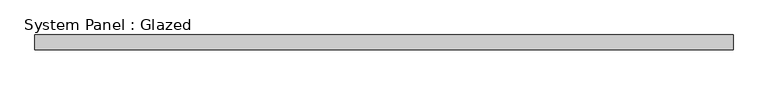
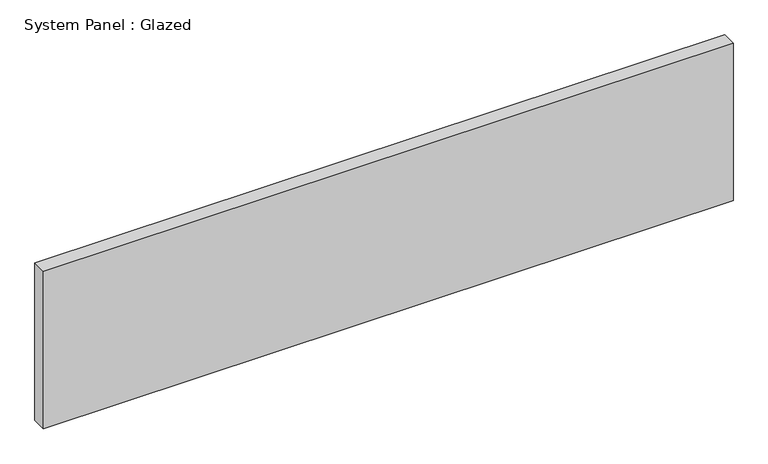
"""IFC4 building model written with IfcOpenShell, lengths in millimetres: plate geometry, System Panel : Glazed."""

import ifcopenshell
import ifcopenshell.guid

model = None  # the IFC model being written
_history = None  # IfcOwnerHistory: only IFC2X3 demands one
_inside = {}  # id of a spatial element -> (the spatial element, [elements in it])
_under = {}  # id of a project, library or spatial element -> (it, [spatial elements below it])
_declared = {}  # id of a project -> (the project, [libraries it declares])
_typed = {}  # id of a type object -> (the type object, [elements of that type])
_made_of = {}  # id of a material, layer set ... -> (it, [elements and type objects made of it])


def new_model(schema):
    """Start an empty IFC model of exactly this schema.

    Asked for "IFC4X3", IfcOpenShell would pick the latest addendum, in which some entities
    have other attributes; the version numbers below select the first issue.
    IFC2X3 requires an IfcOwnerHistory on every rooted entity: one is made here for all.
    """
    global model, _history
    if schema == "IFC4X3":
        model = ifcopenshell.file(schema_version=(4, 3, 0, 0))
    else:
        model = ifcopenshell.file(schema=schema)
    _inside.clear()
    _under.clear()
    _declared.clear()
    _typed.clear()
    _made_of.clear()
    _history = None
    if model.schema == "IFC2X3":
        org = make("IfcOrganization", Name="unknown")
        user = make(
            "IfcPersonAndOrganization",
            ThePerson=make("IfcPerson", FamilyName="unknown"),
            TheOrganization=org,
        )
        app = make(
            "IfcApplication",
            ApplicationDeveloper=org,
            Version="unknown",
            ApplicationFullName="unknown",
            ApplicationIdentifier="unknown",
        )
        _history = make(
            "IfcOwnerHistory",
            OwningUser=user,
            OwningApplication=app,
            ChangeAction="ADDED",
            CreationDate=0,
        )
    return model


def make(cls, **values):
    """One entity of the class cls with the attributes given. An attribute that is None is left unset."""
    return model.create_entity(
        cls, **{name: value for name, value in values.items() if value is not None}
    )


def rooted(cls, **values):
    """An entity with a GlobalId (a new one), such as an element, a storey or a relation."""
    return make(cls, GlobalId=ifcopenshell.guid.new(), OwnerHistory=_history, **values)


def si_unit(unit_type, name, prefix=None):
    """IfcSIUnit, for example si_unit("LENGTHUNIT", "METRE", prefix="MILLI")."""
    return make("IfcSIUnit", UnitType=unit_type, Prefix=prefix, Name=name)


def assignment(units):
    """IfcUnitAssignment: the units of a project."""
    return None if units is None else make("IfcUnitAssignment", Units=units)


def point(xyz):
    """IfcCartesianPoint."""
    return None if xyz is None else make("IfcCartesianPoint", Coordinates=xyz)


def direction(xyz):
    """IfcDirection."""
    return None if xyz is None else make("IfcDirection", DirectionRatios=xyz)


def frame(location, z_axis=None, x_axis=None):
    """IfcAxis2Placement3D, a coordinate frame: its origin and axes. An axis left out is left unset."""
    return make(
        "IfcAxis2Placement3D",
        Location=point(location),
        Axis=direction(z_axis),
        RefDirection=direction(x_axis),
    )


def origin():
    """The frame at (0, 0, 0) with its axes left unset."""
    return frame((0.0, 0.0, 0.0))


def origin_with_axes():
    """The frame at (0, 0, 0) with the z axis (0, 0, 1) and the x axis (1, 0, 0) written out."""
    return frame((0.0, 0.0, 0.0), z_axis=(0.0, 0.0, 1.0), x_axis=(1.0, 0.0, 0.0))


def place(relative_to, where):
    """IfcLocalPlacement: puts the frame where relative to a parent placement (None: the world)."""
    return make(
        "IfcLocalPlacement", PlacementRelTo=relative_to, RelativePlacement=where
    )


def context(
    kind, dimensions, precision=None, world=None, true_north=None, identifier=None
):
    """IfcGeometricRepresentationContext, for example the 3D "Model" context."""
    return make(
        "IfcGeometricRepresentationContext",
        ContextIdentifier=identifier,
        ContextType=kind,
        CoordinateSpaceDimension=dimensions,
        Precision=precision,
        WorldCoordinateSystem=world,
        TrueNorth=true_north,
    )


def project(units=None, contexts=None):
    """IfcProject with its units and contexts."""
    return rooted(
        "IfcProject",
        Name="project",
        RepresentationContexts=contexts,
        UnitsInContext=assignment(units),
    )


def spatial(cls, under=None, at=None, **own):
    """A site, building, storey or space (cls), placed at a placement, below another one or the project."""
    s = rooted(cls, ObjectPlacement=at, **own)
    if under is not None:
        _under.setdefault(under.id(), (under, []))[1].append(s)
    return s


def polyline(points):
    """IfcPolyline through the points."""
    return make("IfcPolyline", Points=[point(p) for p in points])


def outline(outer, holes=None, kind="AREA"):
    """IfcArbitraryClosedProfileDef: a profile drawn as a closed curve; with holes, ...WithVoids."""
    if holes is None:
        return make("IfcArbitraryClosedProfileDef", ProfileType=kind, OuterCurve=outer)
    return make(
        "IfcArbitraryProfileDefWithVoids",
        ProfileType=kind,
        OuterCurve=outer,
        InnerCurves=holes,
    )


def extrude(swept, where, along, depth):
    """IfcExtrudedAreaSolid: the profile swept, set in the frame where, extruded along a direction by depth."""
    return make(
        "IfcExtrudedAreaSolid",
        SweptArea=swept,
        Position=where,
        ExtrudedDirection=direction(along),
        Depth=depth,
    )


def shape(context_of_items, identifier, shape_type, items):
    """IfcShapeRepresentation: the items that make up one representation, for example the "Body"."""
    return make(
        "IfcShapeRepresentation",
        ContextOfItems=context_of_items,
        RepresentationIdentifier=identifier,
        RepresentationType=shape_type,
        Items=items,
    )


def source(mapping_origin, context_of_items, identifier, shape_type, items):
    """IfcRepresentationMap: a shape defined once, which mapped items show again and again."""
    return make(
        "IfcRepresentationMap",
        MappingOrigin=mapping_origin,
        MappedRepresentation=shape(context_of_items, identifier, shape_type, items),
    )


def transform(
    local_origin,
    x_axis=None,
    y_axis=None,
    z_axis=None,
    scale=None,
    scale2=None,
    scale3=None,
    uniform=True,
):
    """IfcCartesianTransformationOperator3D, or its non-uniform kind. x_axis, y_axis, z_axis: its Axis1, 2, 3."""
    if uniform:
        return make(
            "IfcCartesianTransformationOperator3D",
            Axis1=direction(x_axis),
            Axis2=direction(y_axis),
            LocalOrigin=point(local_origin),
            Scale=scale,
            Axis3=direction(z_axis),
        )
    return make(
        "IfcCartesianTransformationOperator3DnonUniform",
        Axis1=direction(x_axis),
        Axis2=direction(y_axis),
        LocalOrigin=point(local_origin),
        Scale=scale,
        Axis3=direction(z_axis),
        Scale2=scale2,
        Scale3=scale3,
    )


def mapped(mapping_source, mapping_target):
    """IfcMappedItem: shows the shape of a source again, moved by a transform."""
    return make(
        "IfcMappedItem", MappingSource=mapping_source, MappingTarget=mapping_target
    )


def made_of(thing, what):
    """Note that an element or type object is made of a material, layer set ...; save() writes the relation."""
    if what is not None:
        _made_of.setdefault(what.id(), (what, []))[1].append(thing)
    return thing


def element(
    cls,
    number,
    at=None,
    inside=None,
    cuts=None,
    type_object=None,
    material=None,
    context=None,
    identifier="Body",
    shape_type=None,
    held_by="IfcProductDefinitionShape",
    body=None,
    shapes=None,
    **own,
):
    """One element of the class cls, such as IfcWall. Its Tag is "e" and its number.

    at: its placement. inside: the storey or other place that contains it. cuts: it is an
    opening in that element (IfcRelVoidsElement). A single representation is given by context,
    identifier, shape_type and body (its items); several are given by shapes. held_by: the class
    of the entity that holds the representations. save() writes the other relations.
    """
    e = rooted(cls, Tag="e%d" % number, ObjectPlacement=at, **own)
    if body is not None:
        shapes = [shape(context, identifier, shape_type, body)]
    if shapes is not None:
        e.Representation = make(held_by, Representations=shapes)
    if inside is not None:
        _inside.setdefault(inside.id(), (inside, []))[1].append(e)
    if cuts is not None:
        rooted(
            "IfcRelVoidsElement", RelatingBuildingElement=cuts, RelatedOpeningElement=e
        )
    if type_object is not None:
        _typed.setdefault(type_object.id(), (type_object, []))[1].append(e)
    return made_of(e, material)


def aggregate(whole, parts):
    """IfcRelAggregates: a whole, such as a stair, and the parts it consists of."""
    return rooted("IfcRelAggregates", RelatingObject=whole, RelatedObjects=parts)


def save(model, path):
    """Write the relations noted so far, then the file.

    IfcRelAggregates (storeys below a building ...), IfcRelContainedInSpatialStructure (elements
    in a storey), IfcRelDefinesByType, IfcRelAssociatesMaterial and IfcRelDeclares: one each for
    every whole, place, type object, material and project.
    """
    for whole, parts in _under.values():
        aggregate(whole, parts)
    for where, things in _inside.values():
        rooted(
            "IfcRelContainedInSpatialStructure",
            RelatedElements=things,
            RelatingStructure=where,
        )
    for kind, things in _typed.values():
        rooted("IfcRelDefinesByType", RelatedObjects=things, RelatingType=kind)
    for what, things in _made_of.values():
        rooted("IfcRelAssociatesMaterial", RelatedObjects=things, RelatingMaterial=what)
    for by, libraries in _declared.values():
        rooted("IfcRelDeclares", RelatingContext=by, RelatedDefinitions=libraries)
    model.write(path)


def system_panel_glazed_296d2c17(model_context):
    return source(origin(), model_context, "Body", "SweptSolid", [
        extrude(outline(polyline([(580.0, 24.5), (-580.0, 24.5), (-580.0, 49.5), (580.0, 49.5), (580.0, 24.5)])), origin_with_axes(), (0.0, 0.0, 1.0), 279.899799),
    ])


if __name__ == "__main__":
    model = new_model("IFC4")
    model_context = context("Model", 3, world=origin())
    ifc_project = project(units=[si_unit("LENGTHUNIT", "METRE", prefix="MILLI")], contexts=[model_context])
    site = spatial("IfcSite", under=ifc_project)
    building = spatial("IfcBuilding", under=site)
    placement = place(None, origin())
    system_panel_glazed_shape = system_panel_glazed_296d2c17(model_context)
    element("IfcPlate", 1, ObjectType="System Panel : Glazed", at=placement, inside=building, context=model_context, shape_type="MappedRepresentation", body=[
        mapped(system_panel_glazed_shape, transform((0.0, 0.0, 0.0), x_axis=(1.0, 0.0, 0.0), y_axis=(0.0, 1.0, 0.0), z_axis=(0.0, 0.0, 1.0))),
    ])
    save(model, "model.ifc")
